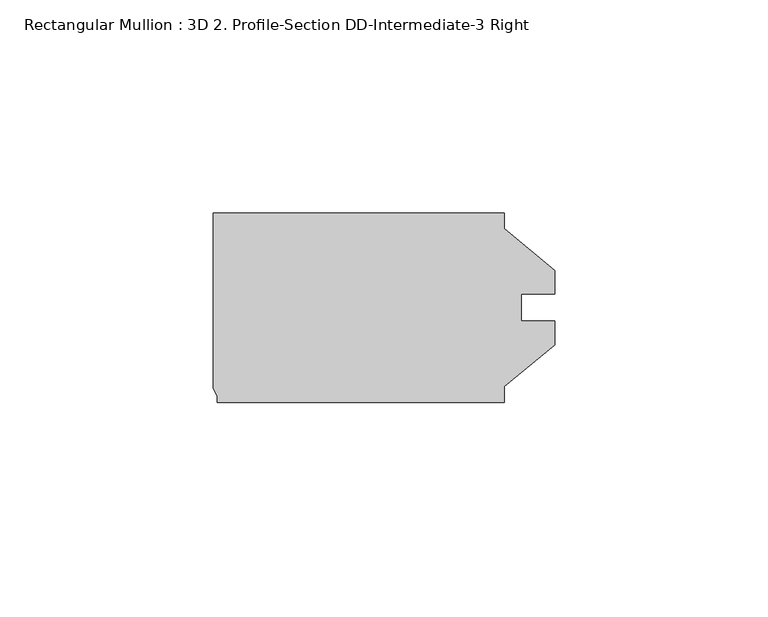
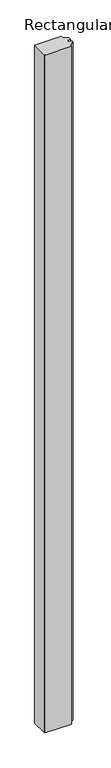
"""IFC4 building model written with IfcOpenShell, lengths in millimetres: member geometry, Rectangular Mullion : 3D 2. Profile-Section DD-Intermediate-3 Right."""

import ifcopenshell
import ifcopenshell.guid

model = None  # the IFC model being written
_history = None  # IfcOwnerHistory: only IFC2X3 demands one
_inside = {}  # id of a spatial element -> (the spatial element, [elements in it])
_under = {}  # id of a project, library or spatial element -> (it, [spatial elements below it])
_declared = {}  # id of a project -> (the project, [libraries it declares])
_typed = {}  # id of a type object -> (the type object, [elements of that type])
_made_of = {}  # id of a material, layer set ... -> (it, [elements and type objects made of it])


def new_model(schema):
    """Start an empty IFC model of exactly this schema.

    Asked for "IFC4X3", IfcOpenShell would pick the latest addendum, in which some entities
    have other attributes; the version numbers below select the first issue.
    IFC2X3 requires an IfcOwnerHistory on every rooted entity: one is made here for all.
    """
    global model, _history
    if schema == "IFC4X3":
        model = ifcopenshell.file(schema_version=(4, 3, 0, 0))
    else:
        model = ifcopenshell.file(schema=schema)
    _inside.clear()
    _under.clear()
    _declared.clear()
    _typed.clear()
    _made_of.clear()
    _history = None
    if model.schema == "IFC2X3":
        org = make("IfcOrganization", Name="unknown")
        user = make(
            "IfcPersonAndOrganization",
            ThePerson=make("IfcPerson", FamilyName="unknown"),
            TheOrganization=org,
        )
        app = make(
            "IfcApplication",
            ApplicationDeveloper=org,
            Version="unknown",
            ApplicationFullName="unknown",
            ApplicationIdentifier="unknown",
        )
        _history = make(
            "IfcOwnerHistory",
            OwningUser=user,
            OwningApplication=app,
            ChangeAction="ADDED",
            CreationDate=0,
        )
    return model


def make(cls, **values):
    """One entity of the class cls with the attributes given. An attribute that is None is left unset."""
    return model.create_entity(
        cls, **{name: value for name, value in values.items() if value is not None}
    )


def rooted(cls, **values):
    """An entity with a GlobalId (a new one), such as an element, a storey or a relation."""
    return make(cls, GlobalId=ifcopenshell.guid.new(), OwnerHistory=_history, **values)


def si_unit(unit_type, name, prefix=None):
    """IfcSIUnit, for example si_unit("LENGTHUNIT", "METRE", prefix="MILLI")."""
    return make("IfcSIUnit", UnitType=unit_type, Prefix=prefix, Name=name)


def assignment(units):
    """IfcUnitAssignment: the units of a project."""
    return None if units is None else make("IfcUnitAssignment", Units=units)


def point(xyz):
    """IfcCartesianPoint."""
    return None if xyz is None else make("IfcCartesianPoint", Coordinates=xyz)


def direction(xyz):
    """IfcDirection."""
    return None if xyz is None else make("IfcDirection", DirectionRatios=xyz)


def frame(location, z_axis=None, x_axis=None):
    """IfcAxis2Placement3D, a coordinate frame: its origin and axes. An axis left out is left unset."""
    return make(
        "IfcAxis2Placement3D",
        Location=point(location),
        Axis=direction(z_axis),
        RefDirection=direction(x_axis),
    )


def origin():
    """The frame at (0, 0, 0) with its axes left unset."""
    return frame((0.0, 0.0, 0.0))


def place(relative_to, where):
    """IfcLocalPlacement: puts the frame where relative to a parent placement (None: the world)."""
    return make(
        "IfcLocalPlacement", PlacementRelTo=relative_to, RelativePlacement=where
    )


def context(
    kind, dimensions, precision=None, world=None, true_north=None, identifier=None
):
    """IfcGeometricRepresentationContext, for example the 3D "Model" context."""
    return make(
        "IfcGeometricRepresentationContext",
        ContextIdentifier=identifier,
        ContextType=kind,
        CoordinateSpaceDimension=dimensions,
        Precision=precision,
        WorldCoordinateSystem=world,
        TrueNorth=true_north,
    )


def project(units=None, contexts=None):
    """IfcProject with its units and contexts."""
    return rooted(
        "IfcProject",
        Name="project",
        RepresentationContexts=contexts,
        UnitsInContext=assignment(units),
    )


def spatial(cls, under=None, at=None, **own):
    """A site, building, storey or space (cls), placed at a placement, below another one or the project."""
    s = rooted(cls, ObjectPlacement=at, **own)
    if under is not None:
        _under.setdefault(under.id(), (under, []))[1].append(s)
    return s


def polyline(points):
    """IfcPolyline through the points."""
    return make("IfcPolyline", Points=[point(p) for p in points])


def outline(outer, holes=None, kind="AREA"):
    """IfcArbitraryClosedProfileDef: a profile drawn as a closed curve; with holes, ...WithVoids."""
    if holes is None:
        return make("IfcArbitraryClosedProfileDef", ProfileType=kind, OuterCurve=outer)
    return make(
        "IfcArbitraryProfileDefWithVoids",
        ProfileType=kind,
        OuterCurve=outer,
        InnerCurves=holes,
    )


def extrude(swept, where, along, depth):
    """IfcExtrudedAreaSolid: the profile swept, set in the frame where, extruded along a direction by depth."""
    return make(
        "IfcExtrudedAreaSolid",
        SweptArea=swept,
        Position=where,
        ExtrudedDirection=direction(along),
        Depth=depth,
    )


def shape(context_of_items, identifier, shape_type, items):
    """IfcShapeRepresentation: the items that make up one representation, for example the "Body"."""
    return make(
        "IfcShapeRepresentation",
        ContextOfItems=context_of_items,
        RepresentationIdentifier=identifier,
        RepresentationType=shape_type,
        Items=items,
    )


def source(mapping_origin, context_of_items, identifier, shape_type, items):
    """IfcRepresentationMap: a shape defined once, which mapped items show again and again."""
    return make(
        "IfcRepresentationMap",
        MappingOrigin=mapping_origin,
        MappedRepresentation=shape(context_of_items, identifier, shape_type, items),
    )


def transform(
    local_origin,
    x_axis=None,
    y_axis=None,
    z_axis=None,
    scale=None,
    scale2=None,
    scale3=None,
    uniform=True,
):
    """IfcCartesianTransformationOperator3D, or its non-uniform kind. x_axis, y_axis, z_axis: its Axis1, 2, 3."""
    if uniform:
        return make(
            "IfcCartesianTransformationOperator3D",
            Axis1=direction(x_axis),
            Axis2=direction(y_axis),
            LocalOrigin=point(local_origin),
            Scale=scale,
            Axis3=direction(z_axis),
        )
    return make(
        "IfcCartesianTransformationOperator3DnonUniform",
        Axis1=direction(x_axis),
        Axis2=direction(y_axis),
        LocalOrigin=point(local_origin),
        Scale=scale,
        Axis3=direction(z_axis),
        Scale2=scale2,
        Scale3=scale3,
    )


def mapped(mapping_source, mapping_target):
    """IfcMappedItem: shows the shape of a source again, moved by a transform."""
    return make(
        "IfcMappedItem", MappingSource=mapping_source, MappingTarget=mapping_target
    )


def made_of(thing, what):
    """Note that an element or type object is made of a material, layer set ...; save() writes the relation."""
    if what is not None:
        _made_of.setdefault(what.id(), (what, []))[1].append(thing)
    return thing


def element(
    cls,
    number,
    at=None,
    inside=None,
    cuts=None,
    type_object=None,
    material=None,
    context=None,
    identifier="Body",
    shape_type=None,
    held_by="IfcProductDefinitionShape",
    body=None,
    shapes=None,
    **own,
):
    """One element of the class cls, such as IfcWall. Its Tag is "e" and its number.

    at: its placement. inside: the storey or other place that contains it. cuts: it is an
    opening in that element (IfcRelVoidsElement). A single representation is given by context,
    identifier, shape_type and body (its items); several are given by shapes. held_by: the class
    of the entity that holds the representations. save() writes the other relations.
    """
    e = rooted(cls, Tag="e%d" % number, ObjectPlacement=at, **own)
    if body is not None:
        shapes = [shape(context, identifier, shape_type, body)]
    if shapes is not None:
        e.Representation = make(held_by, Representations=shapes)
    if inside is not None:
        _inside.setdefault(inside.id(), (inside, []))[1].append(e)
    if cuts is not None:
        rooted(
            "IfcRelVoidsElement", RelatingBuildingElement=cuts, RelatedOpeningElement=e
        )
    if type_object is not None:
        _typed.setdefault(type_object.id(), (type_object, []))[1].append(e)
    return made_of(e, material)


def aggregate(whole, parts):
    """IfcRelAggregates: a whole, such as a stair, and the parts it consists of."""
    return rooted("IfcRelAggregates", RelatingObject=whole, RelatedObjects=parts)


def save(model, path):
    """Write the relations noted so far, then the file.

    IfcRelAggregates (storeys below a building ...), IfcRelContainedInSpatialStructure (elements
    in a storey), IfcRelDefinesByType, IfcRelAssociatesMaterial and IfcRelDeclares: one each for
    every whole, place, type object, material and project.
    """
    for whole, parts in _under.values():
        aggregate(whole, parts)
    for where, things in _inside.values():
        rooted(
            "IfcRelContainedInSpatialStructure",
            RelatedElements=things,
            RelatingStructure=where,
        )
    for kind, things in _typed.values():
        rooted("IfcRelDefinesByType", RelatedObjects=things, RelatingType=kind)
    for what, things in _made_of.values():
        rooted("IfcRelAssociatesMaterial", RelatedObjects=things, RelatingMaterial=what)
    for by, libraries in _declared.values():
        rooted("IfcRelDeclares", RelatingContext=by, RelatedDefinitions=libraries)
    model.write(path)


def rectangular_mullion_3d_2_profile_section_dd_intermediate_3_97b15d9c(model_context):
    return source(origin(), model_context, "Body", "SweptSolid", [
        extrude(outline(polyline([(68.2625, -18.5136261), (68.2625, -22.225), (1.016, -22.225), (1.016, -20.7843636), (0.0, -19.0246), (0.0, 22.225), (68.25615, 22.225), (68.25615, 18.518836), (80.1624, 8.7503), (80.1624, 3.175), (72.2249, 3.175), (72.2249, -3.175), (80.1624, -3.175), (80.1624, -8.7503), (68.2625, -18.5136261)])), frame((0.0, 0.0, -1828.00625), z_axis=(0.0, 0.0, 1.0), x_axis=(1.0, 0.0, 0.0)), (0.0, 0.0, 1.0), 1828.00625),
    ])


if __name__ == "__main__":
    model = new_model("IFC4")
    model_context = context("Model", 3, world=origin())
    ifc_project = project(units=[si_unit("LENGTHUNIT", "METRE", prefix="MILLI")], contexts=[model_context])
    site = spatial("IfcSite", under=ifc_project)
    building = spatial("IfcBuilding", under=site)
    placement = place(None, origin())
    rectangular_mullion_3d_2_profile_section_dd_intermediate_3_shape = rectangular_mullion_3d_2_profile_section_dd_intermediate_3_97b15d9c(model_context)
    element("IfcMember", 1, ObjectType="Rectangular Mullion : 3D 2. Profile-Section DD-Intermediate-3 Right", at=placement, inside=building, context=model_context, shape_type="MappedRepresentation", body=[
        mapped(rectangular_mullion_3d_2_profile_section_dd_intermediate_3_shape, transform((0.0, 0.0, 0.0), x_axis=(1.0, 0.0, 0.0), y_axis=(0.0, 1.0, 0.0), z_axis=(0.0, 0.0, 1.0))),
    ])
    save(model, "model.ifc")
